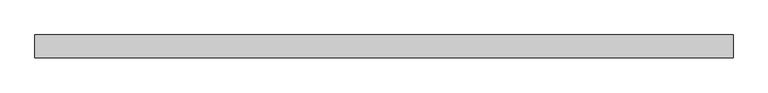
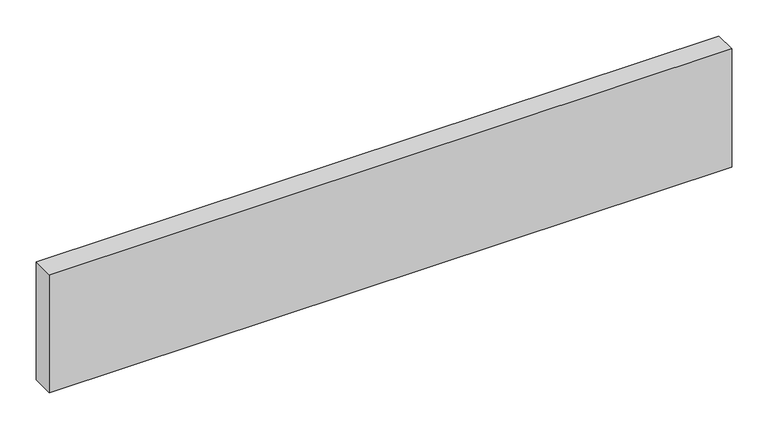
"""IFC4 building model written with IfcOpenShell, lengths in millimetres: beam geometry."""

from ifc_helpers import new_model, si_unit, frame, origin, place, context, project, spatial, polyline, outline, extrude, source, transform, mapped, element, save


def beam_ce5da7fa(model_context):
    return source(origin(), model_context, "Body", "SweptSolid", [
        extrude(outline(polyline([(546.9, -18.0), (-546.9, -18.0), (-546.9, 18.0), (546.9, 18.0), (546.9, -18.0)])), frame((0.0, 0.0, -100.0), z_axis=(0.0, 0.0, 1.0), x_axis=(1.0, 0.0, 0.0)), (0.0, 0.0, 1.0), 200.0),
    ])


if __name__ == "__main__":
    model = new_model("IFC4")
    model_context = context("Model", 3, world=origin())
    ifc_project = project(units=[si_unit("LENGTHUNIT", "METRE", prefix="MILLI")], contexts=[model_context])
    site = spatial("IfcSite", under=ifc_project)
    building = spatial("IfcBuilding", under=site)
    placement = place(None, origin())
    beam_shape = beam_ce5da7fa(model_context)
    element("IfcBeam", 1, at=placement, inside=building, context=model_context, shape_type="MappedRepresentation", body=[
        mapped(beam_shape, transform((0.0, 0.0, 0.0), x_axis=(1.0, 0.0, 0.0), y_axis=(0.0, 1.0, 0.0), z_axis=(0.0, 0.0, 1.0))),
    ])
    save(model, "model.ifc")
